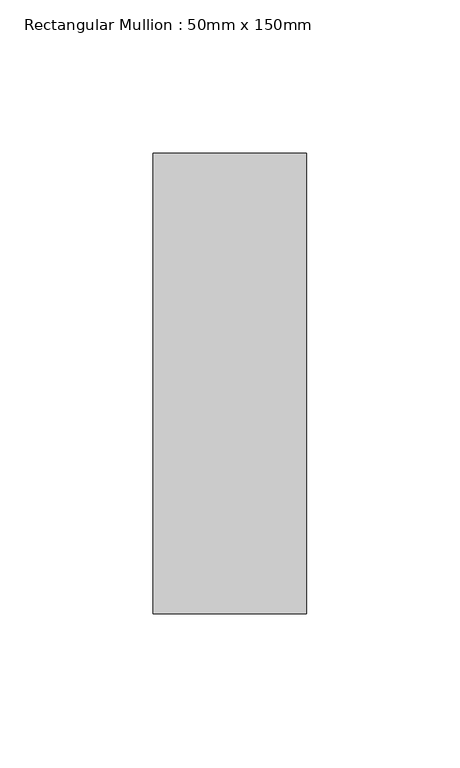
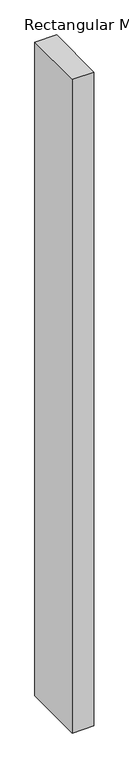
"""IFC4 building model written with IfcOpenShell, lengths in millimetres: member geometry, Rectangular Mullion : 50mm x 150mm."""

from ifc_helpers import new_model, si_unit, frame, origin, place, context, project, spatial, polyline, outline, extrude, source, transform, mapped, element, save


def rectangular_mullion_50mm_x_150mm_319da20d(model_context):
    return source(origin(), model_context, "Body", "SweptSolid", [
        extrude(outline(polyline([(25.0, 75.0), (25.0, -75.0), (-25.0, -75.0), (-25.0, 75.0), (25.0, 75.0)])), frame((0.0, 0.0, -1600.0), z_axis=(0.0, 0.0, 1.0), x_axis=(1.0, 0.0, 0.0)), (0.0, 0.0, 1.0), 1600.0),
    ])


if __name__ == "__main__":
    model = new_model("IFC4")
    model_context = context("Model", 3, world=origin())
    ifc_project = project(units=[si_unit("LENGTHUNIT", "METRE", prefix="MILLI")], contexts=[model_context])
    site = spatial("IfcSite", under=ifc_project)
    building = spatial("IfcBuilding", under=site)
    placement = place(None, origin())
    rectangular_mullion_50mm_x_150mm_shape = rectangular_mullion_50mm_x_150mm_319da20d(model_context)
    element("IfcMember", 1, ObjectType="Rectangular Mullion : 50mm x 150mm", at=placement, inside=building, context=model_context, shape_type="MappedRepresentation", body=[
        mapped(rectangular_mullion_50mm_x_150mm_shape, transform((0.0, 0.0, 0.0), x_axis=(1.0, 0.0, 0.0), y_axis=(0.0, 1.0, 0.0), z_axis=(0.0, 0.0, 1.0))),
    ])
    save(model, "model.ifc")
